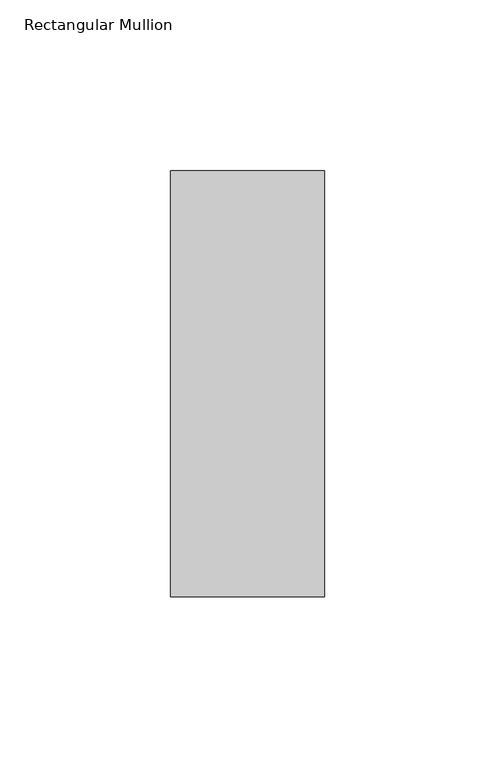
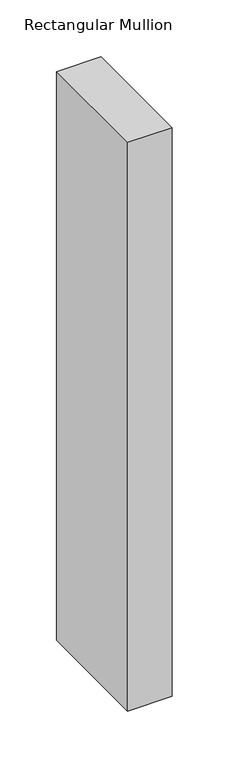
"""IFC4 building model written with IfcOpenShell, lengths in millimetres: member geometry, Rectangular Mullion."""

from ifc_helpers import new_model, si_unit, frame, origin, place, context, project, spatial, polyline, outline, extrude, source, transform, mapped, element, save


def rectangular_mullion_843926ed(model_context):
    return source(origin(), model_context, "Body", "SweptSolid", [
        extrude(outline(polyline([(-45.0, -77.84375), (-45.0, 46.84375), (0.0, 46.84375), (0.0, -77.84375), (-45.0, -77.84375)])), frame((0.0, 0.0, -609.6), z_axis=(0.0, 0.0, 1.0), x_axis=(1.0, 0.0, 0.0)), (0.0, 0.0, 1.0), 609.6),
    ])


if __name__ == "__main__":
    model = new_model("IFC4")
    model_context = context("Model", 3, world=origin())
    ifc_project = project(units=[si_unit("LENGTHUNIT", "METRE", prefix="MILLI")], contexts=[model_context])
    site = spatial("IfcSite", under=ifc_project)
    building = spatial("IfcBuilding", under=site)
    placement = place(None, origin())
    rectangular_mullion_shape = rectangular_mullion_843926ed(model_context)
    element("IfcMember", 1, ObjectType="Rectangular Mullion", at=placement, inside=building, context=model_context, shape_type="MappedRepresentation", body=[
        mapped(rectangular_mullion_shape, transform((0.0, 0.0, 0.0), x_axis=(1.0, 0.0, 0.0), y_axis=(0.0, 1.0, 0.0), z_axis=(0.0, 0.0, 1.0))),
    ])
    save(model, "model.ifc")
